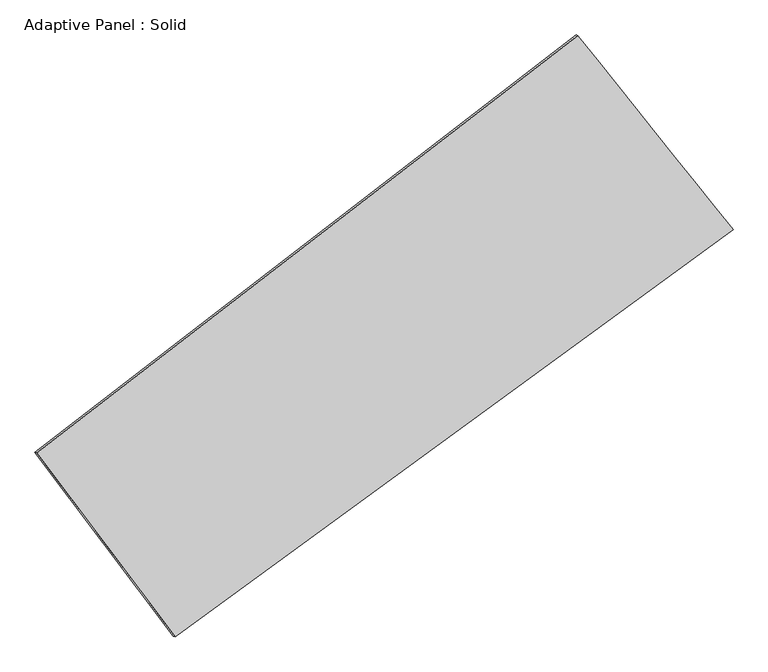
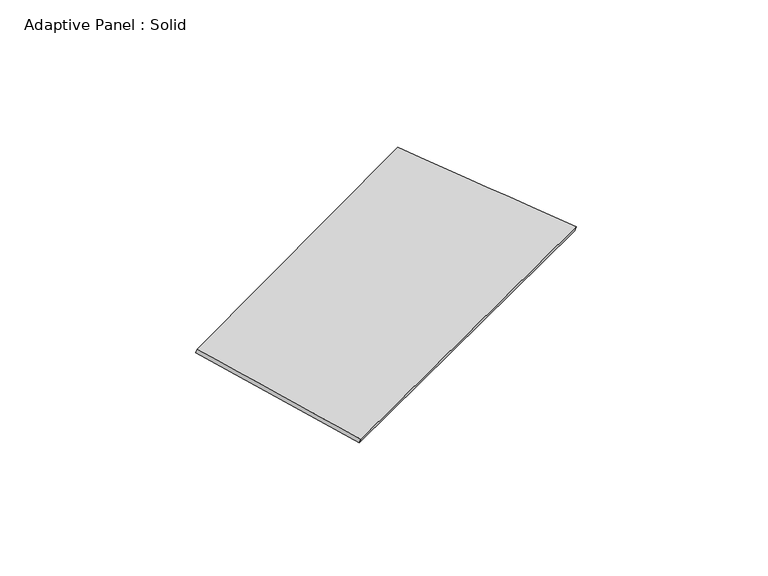
"""IFC4 building model written with IfcOpenShell, lengths in millimetres: plate geometry, Adaptive Panel : Solid."""

from ifc_helpers import new_model, si_unit, frame, origin, place, context, project, spatial, source, transform, mapped, element, save
from ifc_brep_helpers import plane_surface, spline_surface, advanced_brep


def adaptive_panel_solid_4e6ace2b(model_context):
    return source(origin(), model_context, "Body", "AdvancedBrep", [
        advanced_brep(
        [(1038.2397336, 2499.9966445, 649.9757673), (-3598.8957312, -1079.2612265, 1703.1789758), (-3584.2293753, -1085.64132, 1750.5518838), (1052.9060895, 2493.616551, 697.3486754), (-2411.4011496, -2656.0382444, 1021.2936304), (-2396.7347938, -2662.4183379, 1068.6665384), (2368.766569, 835.0542536, 110.6741467), (2383.4329248, 828.6741601, 158.0470547)],
        [
            (0, 1),
            (1, 2),
            (2, 3),
            (3, 0),
            (1, 4),
            (4, 5),
            (5, 2),
            (4, 6),
            (6, 7),
            (7, 5),
            (6, 0),
            (3, 7),
        ],
        [
            plane_surface(frame((-1280.3279988, 710.367709, 1176.5773716), z_axis=(-0.5472701367725302, 0.7901902712434011, 0.2758527372154501), x_axis=(-0.7791211122249277, -0.6013788888800268, 0.17695684359418234))),
            plane_surface(frame((-3005.1484404, -1867.6497355, 1362.2363031), z_axis=(-0.7578269979588939, -0.6351976012965892, 0.14907128654328516), x_axis=(0.5686195995932507, -0.7550235011521147, -0.32651380317899903))),
            plane_surface(frame((-21.3172903, -910.4919954, 565.9838885), z_axis=(0.5329623476638445, -0.8009326766496656, -0.272869902054891), x_axis=(0.7981708484323279, 0.582926881465374, -0.15205113474707085))),
            plane_surface(frame((1703.5031513, 1667.525449, 380.324957), z_axis=(0.7494895777040587, 0.6459314817075986, -0.14504445474411684), x_axis=(-0.6052114079535985, 0.7573256711074343, 0.24530996629671858))),
            spline_surface(1, 1, [[(-3584.2293753, -1085.64132, 1750.5518838), (1052.9060895, 2493.616551, 697.3486754)], [(-2396.7347938, -2662.4183379, 1068.6665384), (2383.4329248, 828.6741601, 158.0470547)]], [2, 2], [2, 2], [0.0, 1.0], [0.0, 1.0]),
            spline_surface(1, 1, [[(2368.766569, 835.0542536, 110.6741467), (1038.2397336, 2499.9966445, 649.9757673)], [(-2411.4011496, -2656.0382444, 1021.2936304), (-3598.8957312, -1079.2612265, 1703.1789758)]], [2, 2], [2, 2], [0.0, 1.0], [0.0, 1.0]),
        ],
        [
            (0, [[1, 2, 3, 4]]),
            (1, [[5, 6, 7, -2]]),
            (2, [[8, 9, 10, -6]]),
            (3, [[11, -4, 12, -9]]),
            (4, [[-3, -7, -10, -12]]),
            (5, [[-11, -8, -5, -1]]),
        ],
    ),
    ])


if __name__ == "__main__":
    model = new_model("IFC4")
    model_context = context("Model", 3, world=origin())
    ifc_project = project(units=[si_unit("LENGTHUNIT", "METRE", prefix="MILLI")], contexts=[model_context])
    site = spatial("IfcSite", under=ifc_project)
    building = spatial("IfcBuilding", under=site)
    placement = place(None, origin())
    adaptive_panel_solid_shape = adaptive_panel_solid_4e6ace2b(model_context)
    element("IfcPlate", 1, ObjectType="Adaptive Panel : Solid", at=placement, inside=building, context=model_context, shape_type="MappedRepresentation", body=[
        mapped(adaptive_panel_solid_shape, transform((0.0, 0.0, 0.0), x_axis=(1.0, 0.0, 0.0), y_axis=(0.0, 1.0, 0.0), z_axis=(0.0, 0.0, 1.0))),
    ])
    save(model, "model.ifc")
